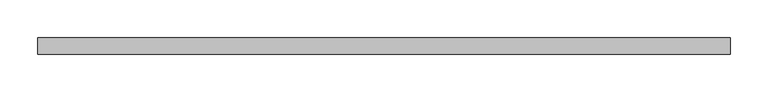
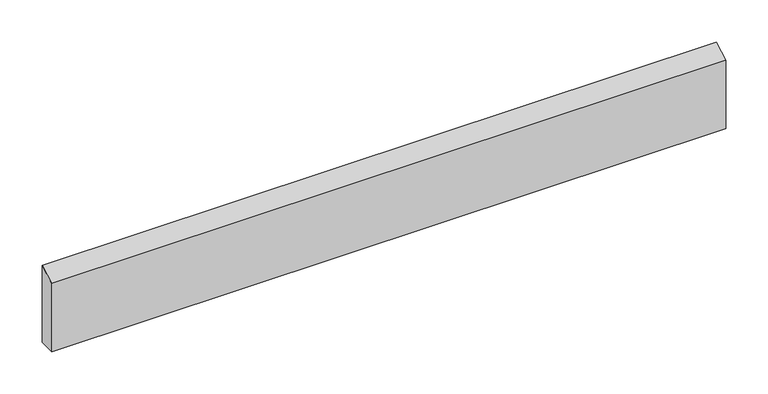
"""IFC4 building model written with IfcOpenShell, lengths in millimetres: beam geometry."""

from ifc_helpers import new_model, si_unit, frame, origin, place, context, project, spatial, polyline, outline, extrude, source, transform, mapped, element, save


def beam_f76848cc(model_context):
    return source(origin(), model_context, "Body", "SweptSolid", [
        extrude(outline(polyline([(11.0, 68.5017059), (11.0, -43.0982941), (-11.0, -43.0982941), (-11.0, 55.8), (11.0, 68.5017059)])), frame((-459.75, 0.0, 0.0), z_axis=(1.0, 0.0, 0.0), x_axis=(0.0, 1.0, 0.0)), (0.0, 0.0, 1.0), 919.5),
    ])


if __name__ == "__main__":
    model = new_model("IFC4")
    model_context = context("Model", 3, world=origin())
    ifc_project = project(units=[si_unit("LENGTHUNIT", "METRE", prefix="MILLI")], contexts=[model_context])
    site = spatial("IfcSite", under=ifc_project)
    building = spatial("IfcBuilding", under=site)
    placement = place(None, origin())
    beam_shape = beam_f76848cc(model_context)
    element("IfcBeam", 1, at=placement, inside=building, context=model_context, shape_type="MappedRepresentation", body=[
        mapped(beam_shape, transform((0.0, 0.0, 0.0), x_axis=(1.0, 0.0, 0.0), y_axis=(0.0, 1.0, 0.0), z_axis=(0.0, 0.0, 1.0))),
    ])
    save(model, "model.ifc")
